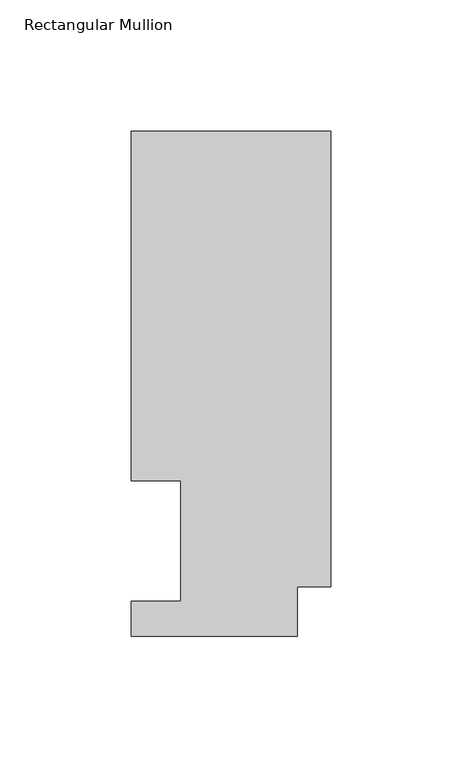
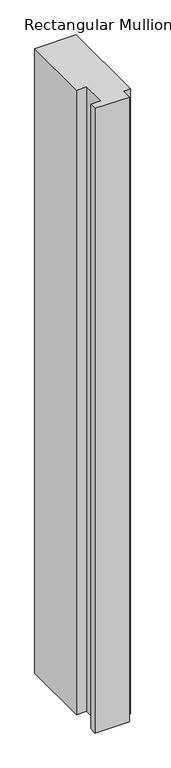
"""IFC4 building model written with IfcOpenShell, lengths in millimetres: member geometry, Rectangular Mullion."""

import ifcopenshell
import ifcopenshell.guid

model = None  # the IFC model being written
_history = None  # IfcOwnerHistory: only IFC2X3 demands one
_inside = {}  # id of a spatial element -> (the spatial element, [elements in it])
_under = {}  # id of a project, library or spatial element -> (it, [spatial elements below it])
_declared = {}  # id of a project -> (the project, [libraries it declares])
_typed = {}  # id of a type object -> (the type object, [elements of that type])
_made_of = {}  # id of a material, layer set ... -> (it, [elements and type objects made of it])


def new_model(schema):
    """Start an empty IFC model of exactly this schema.

    Asked for "IFC4X3", IfcOpenShell would pick the latest addendum, in which some entities
    have other attributes; the version numbers below select the first issue.
    IFC2X3 requires an IfcOwnerHistory on every rooted entity: one is made here for all.
    """
    global model, _history
    if schema == "IFC4X3":
        model = ifcopenshell.file(schema_version=(4, 3, 0, 0))
    else:
        model = ifcopenshell.file(schema=schema)
    _inside.clear()
    _under.clear()
    _declared.clear()
    _typed.clear()
    _made_of.clear()
    _history = None
    if model.schema == "IFC2X3":
        org = make("IfcOrganization", Name="unknown")
        user = make(
            "IfcPersonAndOrganization",
            ThePerson=make("IfcPerson", FamilyName="unknown"),
            TheOrganization=org,
        )
        app = make(
            "IfcApplication",
            ApplicationDeveloper=org,
            Version="unknown",
            ApplicationFullName="unknown",
            ApplicationIdentifier="unknown",
        )
        _history = make(
            "IfcOwnerHistory",
            OwningUser=user,
            OwningApplication=app,
            ChangeAction="ADDED",
            CreationDate=0,
        )
    return model


def make(cls, **values):
    """One entity of the class cls with the attributes given. An attribute that is None is left unset."""
    return model.create_entity(
        cls, **{name: value for name, value in values.items() if value is not None}
    )


def rooted(cls, **values):
    """An entity with a GlobalId (a new one), such as an element, a storey or a relation."""
    return make(cls, GlobalId=ifcopenshell.guid.new(), OwnerHistory=_history, **values)


def si_unit(unit_type, name, prefix=None):
    """IfcSIUnit, for example si_unit("LENGTHUNIT", "METRE", prefix="MILLI")."""
    return make("IfcSIUnit", UnitType=unit_type, Prefix=prefix, Name=name)


def assignment(units):
    """IfcUnitAssignment: the units of a project."""
    return None if units is None else make("IfcUnitAssignment", Units=units)


def point(xyz):
    """IfcCartesianPoint."""
    return None if xyz is None else make("IfcCartesianPoint", Coordinates=xyz)


def direction(xyz):
    """IfcDirection."""
    return None if xyz is None else make("IfcDirection", DirectionRatios=xyz)


def frame(location, z_axis=None, x_axis=None):
    """IfcAxis2Placement3D, a coordinate frame: its origin and axes. An axis left out is left unset."""
    return make(
        "IfcAxis2Placement3D",
        Location=point(location),
        Axis=direction(z_axis),
        RefDirection=direction(x_axis),
    )


def origin():
    """The frame at (0, 0, 0) with its axes left unset."""
    return frame((0.0, 0.0, 0.0))


def place(relative_to, where):
    """IfcLocalPlacement: puts the frame where relative to a parent placement (None: the world)."""
    return make(
        "IfcLocalPlacement", PlacementRelTo=relative_to, RelativePlacement=where
    )


def context(
    kind, dimensions, precision=None, world=None, true_north=None, identifier=None
):
    """IfcGeometricRepresentationContext, for example the 3D "Model" context."""
    return make(
        "IfcGeometricRepresentationContext",
        ContextIdentifier=identifier,
        ContextType=kind,
        CoordinateSpaceDimension=dimensions,
        Precision=precision,
        WorldCoordinateSystem=world,
        TrueNorth=true_north,
    )


def project(units=None, contexts=None):
    """IfcProject with its units and contexts."""
    return rooted(
        "IfcProject",
        Name="project",
        RepresentationContexts=contexts,
        UnitsInContext=assignment(units),
    )


def spatial(cls, under=None, at=None, **own):
    """A site, building, storey or space (cls), placed at a placement, below another one or the project."""
    s = rooted(cls, ObjectPlacement=at, **own)
    if under is not None:
        _under.setdefault(under.id(), (under, []))[1].append(s)
    return s


def polyline(points):
    """IfcPolyline through the points."""
    return make("IfcPolyline", Points=[point(p) for p in points])


def outline(outer, holes=None, kind="AREA"):
    """IfcArbitraryClosedProfileDef: a profile drawn as a closed curve; with holes, ...WithVoids."""
    if holes is None:
        return make("IfcArbitraryClosedProfileDef", ProfileType=kind, OuterCurve=outer)
    return make(
        "IfcArbitraryProfileDefWithVoids",
        ProfileType=kind,
        OuterCurve=outer,
        InnerCurves=holes,
    )


def extrude(swept, where, along, depth):
    """IfcExtrudedAreaSolid: the profile swept, set in the frame where, extruded along a direction by depth."""
    return make(
        "IfcExtrudedAreaSolid",
        SweptArea=swept,
        Position=where,
        ExtrudedDirection=direction(along),
        Depth=depth,
    )


def shape(context_of_items, identifier, shape_type, items):
    """IfcShapeRepresentation: the items that make up one representation, for example the "Body"."""
    return make(
        "IfcShapeRepresentation",
        ContextOfItems=context_of_items,
        RepresentationIdentifier=identifier,
        RepresentationType=shape_type,
        Items=items,
    )


def source(mapping_origin, context_of_items, identifier, shape_type, items):
    """IfcRepresentationMap: a shape defined once, which mapped items show again and again."""
    return make(
        "IfcRepresentationMap",
        MappingOrigin=mapping_origin,
        MappedRepresentation=shape(context_of_items, identifier, shape_type, items),
    )


def transform(
    local_origin,
    x_axis=None,
    y_axis=None,
    z_axis=None,
    scale=None,
    scale2=None,
    scale3=None,
    uniform=True,
):
    """IfcCartesianTransformationOperator3D, or its non-uniform kind. x_axis, y_axis, z_axis: its Axis1, 2, 3."""
    if uniform:
        return make(
            "IfcCartesianTransformationOperator3D",
            Axis1=direction(x_axis),
            Axis2=direction(y_axis),
            LocalOrigin=point(local_origin),
            Scale=scale,
            Axis3=direction(z_axis),
        )
    return make(
        "IfcCartesianTransformationOperator3DnonUniform",
        Axis1=direction(x_axis),
        Axis2=direction(y_axis),
        LocalOrigin=point(local_origin),
        Scale=scale,
        Axis3=direction(z_axis),
        Scale2=scale2,
        Scale3=scale3,
    )


def mapped(mapping_source, mapping_target):
    """IfcMappedItem: shows the shape of a source again, moved by a transform."""
    return make(
        "IfcMappedItem", MappingSource=mapping_source, MappingTarget=mapping_target
    )


def made_of(thing, what):
    """Note that an element or type object is made of a material, layer set ...; save() writes the relation."""
    if what is not None:
        _made_of.setdefault(what.id(), (what, []))[1].append(thing)
    return thing


def element(
    cls,
    number,
    at=None,
    inside=None,
    cuts=None,
    type_object=None,
    material=None,
    context=None,
    identifier="Body",
    shape_type=None,
    held_by="IfcProductDefinitionShape",
    body=None,
    shapes=None,
    **own,
):
    """One element of the class cls, such as IfcWall. Its Tag is "e" and its number.

    at: its placement. inside: the storey or other place that contains it. cuts: it is an
    opening in that element (IfcRelVoidsElement). A single representation is given by context,
    identifier, shape_type and body (its items); several are given by shapes. held_by: the class
    of the entity that holds the representations. save() writes the other relations.
    """
    e = rooted(cls, Tag="e%d" % number, ObjectPlacement=at, **own)
    if body is not None:
        shapes = [shape(context, identifier, shape_type, body)]
    if shapes is not None:
        e.Representation = make(held_by, Representations=shapes)
    if inside is not None:
        _inside.setdefault(inside.id(), (inside, []))[1].append(e)
    if cuts is not None:
        rooted(
            "IfcRelVoidsElement", RelatingBuildingElement=cuts, RelatedOpeningElement=e
        )
    if type_object is not None:
        _typed.setdefault(type_object.id(), (type_object, []))[1].append(e)
    return made_of(e, material)


def aggregate(whole, parts):
    """IfcRelAggregates: a whole, such as a stair, and the parts it consists of."""
    return rooted("IfcRelAggregates", RelatingObject=whole, RelatedObjects=parts)


def save(model, path):
    """Write the relations noted so far, then the file.

    IfcRelAggregates (storeys below a building ...), IfcRelContainedInSpatialStructure (elements
    in a storey), IfcRelDefinesByType, IfcRelAssociatesMaterial and IfcRelDeclares: one each for
    every whole, place, type object, material and project.
    """
    for whole, parts in _under.values():
        aggregate(whole, parts)
    for where, things in _inside.values():
        rooted(
            "IfcRelContainedInSpatialStructure",
            RelatedElements=things,
            RelatingStructure=where,
        )
    for kind, things in _typed.values():
        rooted("IfcRelDefinesByType", RelatedObjects=things, RelatingType=kind)
    for what, things in _made_of.values():
        rooted("IfcRelAssociatesMaterial", RelatedObjects=things, RelatingMaterial=what)
    for by, libraries in _declared.values():
        rooted("IfcRelDeclares", RelatingContext=by, RelatedDefinitions=libraries)
    model.write(path)


def rectangular_mullion_db4d8c51(model_context):
    return source(origin(), model_context, "Body", "SweptSolid", [
        extrude(outline(polyline([(0.0, 192.88125), (0.0, 19.04365), (-12.7, 19.06905), (-12.7, 0.04445), (-76.2, 0.04445), (-76.2, 13.50645), (-57.15, 13.50645), (-57.15, 59.53125), (-76.2, 59.53125), (-76.2, 192.88125), (0.0, 192.88125)])), frame((0.0, 0.0, -1219.2), z_axis=(0.0, 0.0, 1.0), x_axis=(1.0, 0.0, 0.0)), (0.0, 0.0, 1.0), 1219.2),
    ])


if __name__ == "__main__":
    model = new_model("IFC4")
    model_context = context("Model", 3, world=origin())
    ifc_project = project(units=[si_unit("LENGTHUNIT", "METRE", prefix="MILLI")], contexts=[model_context])
    site = spatial("IfcSite", under=ifc_project)
    building = spatial("IfcBuilding", under=site)
    placement = place(None, origin())
    rectangular_mullion_shape = rectangular_mullion_db4d8c51(model_context)
    element("IfcMember", 1, ObjectType="Rectangular Mullion", at=placement, inside=building, context=model_context, shape_type="MappedRepresentation", body=[
        mapped(rectangular_mullion_shape, transform((0.0, 0.0, 0.0), x_axis=(1.0, 0.0, 0.0), y_axis=(0.0, 1.0, 0.0), z_axis=(0.0, 0.0, 1.0))),
    ])
    save(model, "model.ifc")
